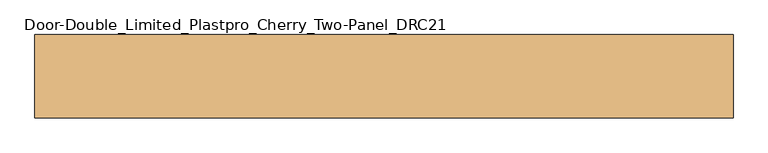
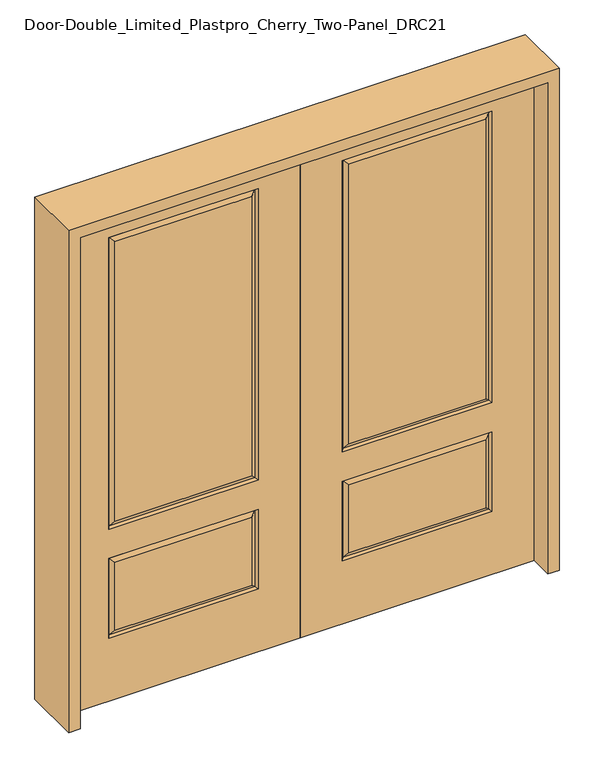
"""IFC4 building model written with IfcOpenShell, lengths in millimetres: door geometry, Door-Double_Limited_Plastpro_Cherry_Two-Panel_DRC21."""

from ifc_helpers import new_model, si_unit, frame, origin, place, context, project, spatial, polyline, outline, extrude, faceted_brep, source, transform, mapped, element, save


def door_double_limited_plastpro_cherry_two_panel_drc21_d4c35d4b(model_context):
    return source(origin(), model_context, "Body", "SolidModel", [
        faceted_brep([(0.0, 22.225, 0.0), (914.4, 22.225, 0.0), (914.4, -22.225, 0.0), (0.0, -22.225, 0.0), (0.0, 22.225, 2032.0), (0.0, -22.225, 2032.0), (914.4, -22.225, 2032.0), (165.1, -22.225, 711.2), (165.1, -22.225, 1917.7), (749.3, -22.225, 1917.7), (749.3, -22.225, 711.2), (165.1, -22.225, 260.35), (165.1, -22.225, 590.55), (749.3, -22.225, 590.55), (749.3, -22.225, 260.35), (724.69375, -22.225, 284.95625), (724.69375, -22.225, 565.94375), (189.70625, -22.225, 565.94375), (189.70625, -22.225, 284.95625), (724.69375, -22.225, 735.80625), (724.69375, -22.225, 1893.09375), (189.70625, -22.225, 1893.09375), (189.70625, -22.225, 735.80625), (914.4, 22.225, 2032.0), (749.3, 22.225, 711.2), (749.3, 22.225, 1917.7), (165.1, 22.225, 1917.7), (165.1, 22.225, 711.2), (749.3, 22.225, 260.35), (749.3, 22.225, 590.55), (165.1, 22.225, 590.55), (165.1, 22.225, 260.35), (189.70625, 22.225, 284.95625), (189.70625, 22.225, 565.94375), (724.69375, 22.225, 565.94375), (724.69375, 22.225, 284.95625), (189.70625, 22.225, 735.80625), (189.70625, 22.225, 1893.09375), (724.69375, 22.225, 1893.09375), (724.69375, 22.225, 735.80625), (172.2088501, 12.7912373, 267.4588501), (742.1911499, 12.7912373, 267.4588501), (172.2088501, 12.7912373, 583.4411499), (742.1911499, 12.7912373, 583.4411499), (172.2088501, 12.7912373, 718.3088501), (742.1911499, 12.7912373, 718.3088501), (172.2088501, 12.7912373, 1910.5911499), (742.1911499, 12.7912373, 1910.5911499), (172.2088501, -12.7912373, 267.4588501), (742.1911499, -12.7912373, 267.4588501), (742.1911499, -12.7912373, 583.4411499), (172.2088501, -12.7912373, 583.4411499), (172.2088501, -12.7912373, 718.3088501), (742.1911499, -12.7912373, 718.3088501), (742.1911499, -12.7912373, 1910.5911499), (172.2088501, -12.7912373, 1910.5911499)], [[[0, 1, 2, 3]], [[4, 0, 3, 5]], [[5, 3, 2, 6], [7, 8, 9, 10], [11, 12, 13, 14]], [[15, 16, 17, 18]], [[19, 20, 21, 22]], [[6, 2, 1, 23]], [[23, 1, 0, 4], [24, 25, 26, 27], [28, 29, 30, 31]], [[32, 33, 34, 35]], [[36, 37, 38, 39]], [[28, 31, 40, 41]], [[31, 30, 42, 40]], [[43, 42, 30, 29]], [[41, 43, 29, 28]], [[40, 32, 35, 41]], [[35, 34, 43, 41]], [[34, 33, 42, 43]], [[40, 42, 33, 32]], [[24, 27, 44, 45]], [[27, 26, 46, 44]], [[45, 47, 25, 24]], [[44, 36, 39, 45]], [[39, 38, 47, 45]], [[44, 46, 37, 36]], [[48, 11, 14, 49]], [[14, 13, 50, 49]], [[13, 12, 51, 50]], [[48, 51, 12, 11]], [[49, 15, 18, 48]], [[18, 17, 51, 48]], [[50, 51, 17, 16]], [[49, 50, 16, 15]], [[52, 7, 10, 53]], [[10, 9, 54, 53]], [[52, 55, 8, 7]], [[53, 19, 22, 52]], [[22, 21, 55, 52]], [[53, 54, 20, 19]], [[4, 5, 6, 23]], [[9, 8, 55, 54]], [[54, 55, 21, 20]], [[47, 46, 26, 25]], [[38, 37, 46, 47]]]),
        faceted_brep([(0.0, 22.225, 0.0), (0.0, -22.225, 0.0), (-914.4, -22.225, 0.0), (-914.4, 22.225, 0.0), (0.0, 22.225, 2032.0), (0.0, -22.225, 2032.0), (-724.69375, -22.225, 284.95625), (-189.70625, -22.225, 284.95625), (-189.70625, -22.225, 565.94375), (-724.69375, -22.225, 565.94375), (-724.69375, -22.225, 735.80625), (-189.70625, -22.225, 735.80625), (-189.70625, -22.225, 1893.09375), (-724.69375, -22.225, 1893.09375), (-914.4, -22.225, 2032.0), (-165.1, -22.225, 711.2), (-749.3, -22.225, 711.2), (-749.3, -22.225, 1917.7), (-165.1, -22.225, 1917.7), (-165.1, -22.225, 260.35), (-749.3, -22.225, 260.35), (-749.3, -22.225, 590.55), (-165.1, -22.225, 590.55), (-914.4, 22.225, 2032.0), (-189.70625, 22.225, 284.95625), (-724.69375, 22.225, 284.95625), (-724.69375, 22.225, 565.94375), (-189.70625, 22.225, 565.94375), (-189.70625, 22.225, 735.80625), (-724.69375, 22.225, 735.80625), (-724.69375, 22.225, 1893.09375), (-189.70625, 22.225, 1893.09375), (-749.3, 22.225, 711.2), (-165.1, 22.225, 711.2), (-165.1, 22.225, 1917.7), (-749.3, 22.225, 1917.7), (-749.3, 22.225, 260.35), (-165.1, 22.225, 260.35), (-165.1, 22.225, 590.55), (-749.3, 22.225, 590.55), (-742.1911499, 12.7912373, 267.4588501), (-172.2088501, 12.7912373, 267.4588501), (-172.2088501, 12.7912373, 583.4411499), (-742.1911499, 12.7912373, 583.4411499), (-742.1911499, 12.7912373, 718.3088501), (-172.2088501, 12.7912373, 718.3088501), (-172.2088501, 12.7912373, 1910.5911499), (-742.1911499, 12.7912373, 1910.5911499), (-172.2088501, -12.7912373, 267.4588501), (-742.1911499, -12.7912373, 267.4588501), (-742.1911499, -12.7912373, 583.4411499), (-172.2088501, -12.7912373, 583.4411499), (-172.2088501, -12.7912373, 718.3088501), (-742.1911499, -12.7912373, 718.3088501), (-742.1911499, -12.7912373, 1910.5911499), (-172.2088501, -12.7912373, 1910.5911499)], [[[0, 1, 2, 3]], [[4, 5, 1, 0]], [[6, 7, 8, 9]], [[10, 11, 12, 13]], [[5, 14, 2, 1], [15, 16, 17, 18], [19, 20, 21, 22]], [[14, 23, 3, 2]], [[24, 25, 26, 27]], [[28, 29, 30, 31]], [[23, 4, 0, 3], [32, 33, 34, 35], [36, 37, 38, 39]], [[36, 40, 41, 37]], [[37, 41, 42, 38]], [[43, 39, 38, 42]], [[40, 36, 39, 43]], [[41, 40, 25, 24]], [[25, 40, 43, 26]], [[26, 43, 42, 27]], [[41, 24, 27, 42]], [[32, 44, 45, 33]], [[33, 45, 46, 34]], [[44, 32, 35, 47]], [[45, 44, 29, 28]], [[29, 44, 47, 30]], [[45, 28, 31, 46]], [[48, 49, 20, 19]], [[20, 49, 50, 21]], [[21, 50, 51, 22]], [[48, 19, 22, 51]], [[49, 48, 7, 6]], [[7, 48, 51, 8]], [[50, 9, 8, 51]], [[49, 6, 9, 50]], [[52, 53, 16, 15]], [[16, 53, 54, 17]], [[52, 15, 18, 55]], [[53, 52, 11, 10]], [[11, 52, 55, 12]], [[53, 10, 13, 54]], [[4, 23, 14, 5]], [[17, 54, 55, 18]], [[54, 13, 12, 55]], [[47, 35, 34, 46]], [[30, 47, 46, 31]]]),
        extrude(outline(polyline([(2076.45, -958.85), (0.0, -958.85), (0.0, -914.4), (2032.0, -914.4), (2032.0, 914.4), (0.0, 914.4), (0.0, 958.85), (2076.45, 958.85), (2076.45, -958.85)])), frame((0.0, -114.3, 0.0), z_axis=(0.0, 1.0, 0.0), x_axis=(0.0, 0.0, 1.0)), (0.0, 0.0, 1.0), 228.6),
    ])


if __name__ == "__main__":
    model = new_model("IFC4")
    model_context = context("Model", 3, world=origin())
    ifc_project = project(units=[si_unit("LENGTHUNIT", "METRE", prefix="MILLI")], contexts=[model_context])
    site = spatial("IfcSite", under=ifc_project)
    building = spatial("IfcBuilding", under=site)
    placement = place(None, origin())
    door_double_limited_plastpro_cherry_two_panel_drc21_shape = door_double_limited_plastpro_cherry_two_panel_drc21_d4c35d4b(model_context)
    element("IfcDoor", 1, ObjectType="Door-Double_Limited_Plastpro_Cherry_Two-Panel_DRC21", at=placement, inside=building, context=model_context, shape_type="MappedRepresentation", body=[
        mapped(door_double_limited_plastpro_cherry_two_panel_drc21_shape, transform((0.0, 0.0, 0.0), x_axis=(1.0, 0.0, 0.0), y_axis=(0.0, 1.0, 0.0), z_axis=(0.0, 0.0, 1.0))),
    ])
    save(model, "model.ifc")
